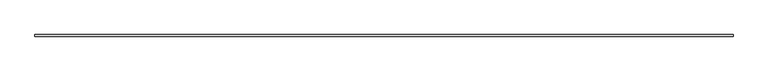
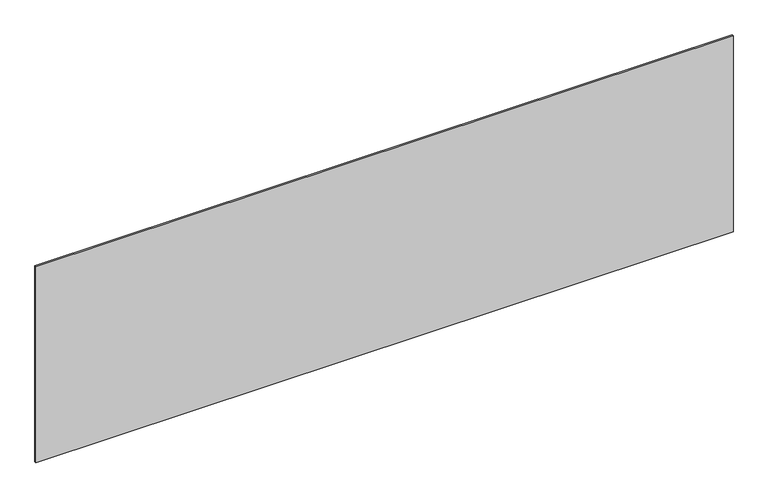
"""IFC4 building model written with IfcOpenShell, lengths in millimetres: plate geometry."""

from ifc_helpers import new_model, si_unit, origin, origin_with_axes, place, context, project, spatial, polyline, outline, extrude, source, transform, mapped, element, save


def plate_8c7b45d8(model_context):
    return source(origin(), model_context, "Body", "SweptSolid", [
        extrude(outline(polyline([(2189.1666667, -5.0), (-2189.1666667, -5.0), (-2189.1666667, 5.0), (2189.1666667, 5.0), (2189.1666667, -5.0)])), origin_with_axes(), (0.0, 0.0, 1.0), 1301.3041156),
    ])


if __name__ == "__main__":
    model = new_model("IFC4")
    model_context = context("Model", 3, world=origin())
    ifc_project = project(units=[si_unit("LENGTHUNIT", "METRE", prefix="MILLI")], contexts=[model_context])
    site = spatial("IfcSite", under=ifc_project)
    building = spatial("IfcBuilding", under=site)
    placement = place(None, origin())
    plate_shape = plate_8c7b45d8(model_context)
    element("IfcPlate", 1, at=placement, inside=building, context=model_context, shape_type="MappedRepresentation", body=[
        mapped(plate_shape, transform((0.0, 0.0, 0.0), x_axis=(1.0, 0.0, 0.0), y_axis=(0.0, 1.0, 0.0), z_axis=(0.0, 0.0, 1.0))),
    ])
    save(model, "model.ifc")
